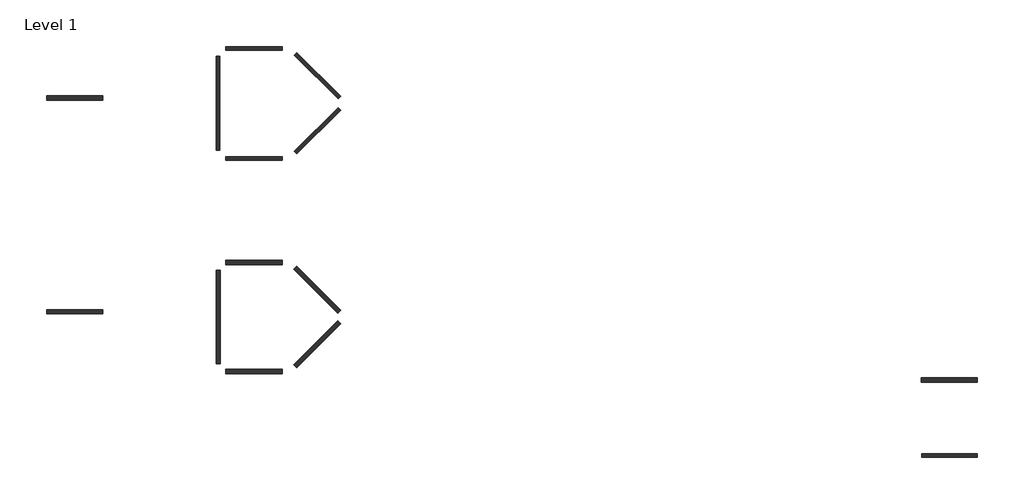
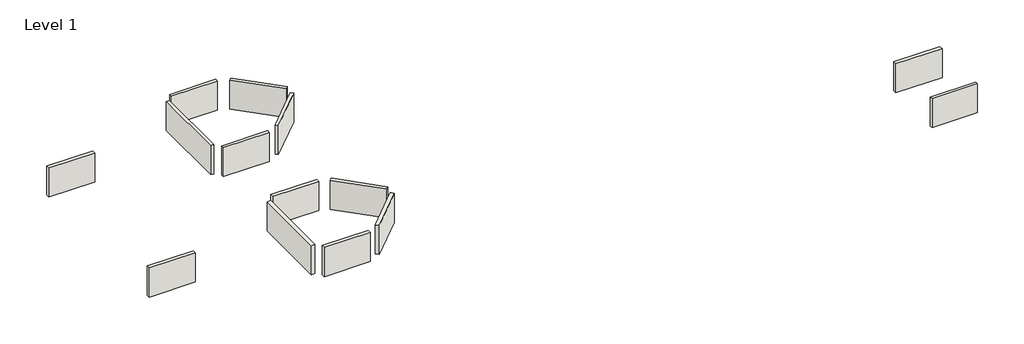
# One storey: 14 walls.
"""IFC4 building model written with IfcOpenShell, lengths in millimetres."""

from ifc_helpers import new_model, si_unit, origin, origin_with_axes, place, context, project, spatial, polyline, outline, extrude, element, save

model = new_model("IFC4")

# Units and contexts
model_context = context("Model", 3, world=origin())
ifc_project = project(units=[si_unit("LENGTHUNIT", "METRE", prefix="MILLI")], contexts=[model_context])

# Site, building, storey
site = spatial("IfcSite", under=ifc_project)
building = spatial("IfcBuilding", under=site)
storey = spatial("IfcBuildingStorey", under=building, Name="Level 1", Elevation=0.0)

# Walls
placement = place(None, origin())
element("IfcWall", 1, ObjectType="BB-400G 4\" GlobalBlock Wall", at=placement, inside=storey, context=model_context, shape_type="SweptSolid", body=[
    extrude(outline(polyline([(-1130.2701176, 2909.1367059), (2527.3298824, 2909.1367059), (2527.3298824, 2680.5367059), (-1130.2701176, 2680.5367059), (-1130.2701176, 2909.1367059)])), origin_with_axes(), (0.0, 0.0, 1.0), 2438.4),
])
element("IfcWall", 2, ObjectType="BB-400G 4\" GlobalBlock Wall", at=placement, inside=storey, context=model_context, shape_type="SweptSolid", body=[
    extrude(outline(polyline([(-1765.2701176, -3821.8632941), (-1765.2701176, 2274.1367059), (-1536.6701176, 2274.1367059), (-1536.6701176, -3821.8632941), (-1765.2701176, -3821.8632941)])), origin_with_axes(), (0.0, 0.0, 1.0), 2438.4),
])
element("IfcWall", 3, ObjectType="BB-400G 4\" GlobalBlock Wall", at=placement, inside=storey, context=model_context, shape_type="SweptSolid", body=[
    extrude(outline(polyline([(2527.3298824, -4456.8632941), (-1130.2701176, -4456.8632941), (-1130.2701176, -4228.2632941), (2527.3298824, -4228.2632941), (2527.3298824, -4456.8632941)])), origin_with_axes(), (0.0, 0.0, 1.0), 2438.4),
])
element("IfcWall", 4, ObjectType="BB-400G 4\" GlobalBlock Wall", at=placement, inside=storey, context=model_context, shape_type="SweptSolid", body=[
    extrude(outline(polyline([(6320.1170763, -1222.8761002), (3481.2611517, -4061.7320248), (3319.6165415, -3900.0874146), (6158.4724661, -1061.23149), (6320.1170763, -1222.8761002)])), origin_with_axes(), (0.0, 0.0, 1.0), 2438.4),
])
element("IfcWall", 5, ObjectType="BB-400G 4\" GlobalBlock Wall", at=placement, inside=storey, context=model_context, shape_type="SweptSolid", body=[
    extrude(outline(polyline([(6158.4724661, -486.4950982), (3319.6165415, 2352.3608264), (3481.2611517, 2514.0054366), (6320.1170763, -324.8504881), (6158.4724661, -486.4950982)])), origin_with_axes(), (0.0, 0.0, 1.0), 2438.4),
])
element("IfcWall", 6, ObjectType="BB-400G 4\" GlobalBlock Wall", at=placement, inside=storey, context=model_context, shape_type="SweptSolid", body=[
    extrude(outline(polyline([(47644.7146698, -23742.1926498), (44037.9146698, -23742.1926498), (44037.9146698, -23513.5926498), (47644.7146698, -23513.5926498), (47644.7146698, -23742.1926498)])), origin_with_axes(), (0.0, 0.0, 1.0), 2438.4),
])
element("IfcWall", 7, ObjectType="BB-600G 6\" GlobalBlock Wall", at=placement, inside=storey, context=model_context, shape_type="SweptSolid", body=[
    extrude(outline(polyline([(-9111.0820506, -577.3926498), (-12768.6820506, -577.3926498), (-12768.6820506, -297.9926498), (-9111.0820506, -297.9926498), (-9111.0820506, -577.3926498)])), origin_with_axes(), (0.0, 0.0, 1.0), 2438.4),
])
element("IfcWall", 8, ObjectType="BB-600G 6\" GlobalBlock Wall", at=placement, inside=storey, context=model_context, shape_type="SweptSolid", body=[
    extrude(outline(polyline([(47644.7146698, -18865.3926498), (43987.1146698, -18865.3926498), (43987.1146698, -18585.9926498), (47644.7146698, -18585.9926498), (47644.7146698, -18865.3926498)])), origin_with_axes(), (0.0, 0.0, 1.0), 2438.4),
])
element("IfcWall", 9, ObjectType="BB-600G 6\" GlobalBlock Wall", at=placement, inside=storey, context=model_context, shape_type="SweptSolid", body=[
    extrude(outline(polyline([(-1130.2701176, -10959.2632941), (2527.3298824, -10959.2632941), (2527.3298824, -11238.6632941), (-1130.2701176, -11238.6632941), (-1130.2701176, -10959.2632941)])), origin_with_axes(), (0.0, 0.0, 1.0), 2438.4),
])
element("IfcWall", 10, ObjectType="BB-600G 6\" GlobalBlock Wall", at=placement, inside=storey, context=model_context, shape_type="SweptSolid", body=[
    extrude(outline(polyline([(-1765.2701176, -17690.2632941), (-1765.2701176, -11594.2632941), (-1485.8701176, -11594.2632941), (-1485.8701176, -17690.2632941), (-1765.2701176, -17690.2632941)])), origin_with_axes(), (0.0, 0.0, 1.0), 2438.4),
])
element("IfcWall", 11, ObjectType="BB-600G 6\" GlobalBlock Wall", at=placement, inside=storey, context=model_context, shape_type="SweptSolid", body=[
    extrude(outline(polyline([(2527.3298824, -18325.2632941), (-1130.2701176, -18325.2632941), (-1130.2701176, -18045.8632941), (2527.3298824, -18045.8632941), (2527.3298824, -18325.2632941)])), origin_with_axes(), (0.0, 0.0, 1.0), 2438.4),
])
element("IfcWall", 12, ObjectType="BB-600G 6\" GlobalBlock Wall", at=placement, inside=storey, context=model_context, shape_type="SweptSolid", body=[
    extrude(outline(polyline([(6320.1170763, -15091.2761002), (3481.2611517, -17930.1320248), (3283.695517, -17732.5663901), (6122.5514416, -14893.7104655), (6320.1170763, -15091.2761002)])), origin_with_axes(), (0.0, 0.0, 1.0), 2438.4),
])
element("IfcWall", 13, ObjectType="BB-600G 6\" GlobalBlock Wall", at=placement, inside=storey, context=model_context, shape_type="SweptSolid", body=[
    extrude(outline(polyline([(6122.5514416, -14390.8161227), (3283.695517, -11551.9601981), (3481.2611517, -11354.3945634), (6320.1170763, -14193.2504881), (6122.5514416, -14390.8161227)])), origin_with_axes(), (0.0, 0.0, 1.0), 2438.4),
])
element("IfcWall", 14, ObjectType="BB-600G 6\" GlobalBlock Wall", at=placement, inside=storey, context=model_context, shape_type="SweptSolid", body=[
    extrude(outline(polyline([(-9111.0820506, -14445.7926498), (-12768.6820506, -14445.7926498), (-12768.6820506, -14166.3926498), (-9111.0820506, -14166.3926498), (-9111.0820506, -14445.7926498)])), origin_with_axes(), (0.0, 0.0, 1.0), 2438.4),
])

save(model, "model.ifc")
